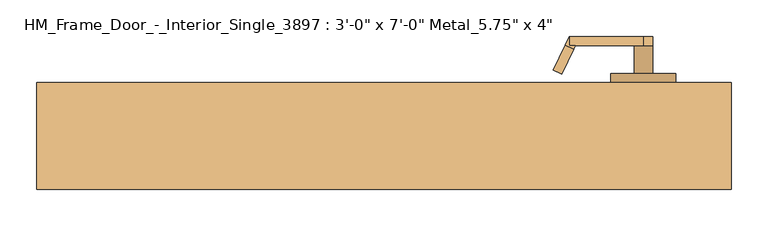
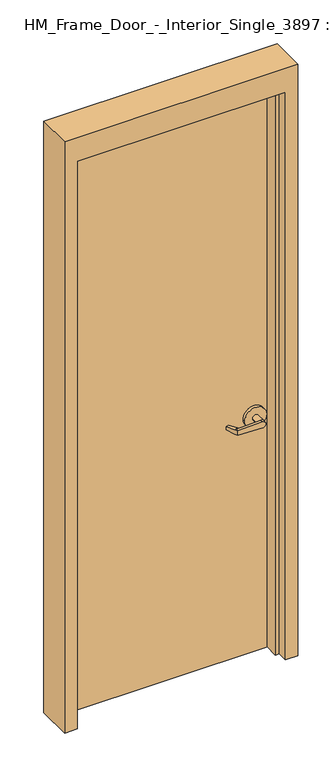
"""IFC4 building model written with IfcOpenShell, lengths in millimetres: door geometry."""

from ifc_helpers import new_model, si_unit, frame, origin, origin_with_axes, place, context, project, spatial, polyline, circle_curve, outline, extrude, faceted_brep, source, transform, mapped, element, save
from ifc_brep_helpers import plane_surface, cylinder_surface, advanced_brep


def door_80e45291(model_context):
    return source(origin(), model_context, "Body", "SolidModel", [
        advanced_brep(
        [(259.692857, -18.0476392, 1006.475), (243.5911012, 16.4826875, 1009.65), (243.5911012, 16.4826875, 1022.35), (259.692857, -18.0476392, 1025.525), (261.6407923, -22.225, 1025.525), (261.6407923, -22.225, 1006.475), (253.55, -34.925, 1025.525), (248.1827481, -23.4148911, 1025.525), (232.0809923, 11.1154356, 1022.35), (232.0809923, 11.1154356, 1009.65), (248.1827481, -23.4148911, 1006.475), (253.55, -34.925, 1006.475), (253.55, -22.225, 1006.475), (253.55, -22.225, 1025.525), (354.7525418, -34.925, 1003.3062209), (354.7525418, -34.925, 1028.6937791), (354.7525418, -22.225, 1028.6937791), (342.45, -22.225, 1016.0), (354.7525418, -22.225, 1003.3062209), (367.85, -22.225, 1016.0), (367.85, 15.875, 1016.0), (342.45, 15.875, 1016.0), (399.6, 15.875, 1016.0), (310.7, 15.875, 1016.0), (399.6, 28.575, 1016.0), (310.7, 28.575, 1016.0)],
        [
            (0, 1),
            (1, 2),
            (2, 3),
            (3, 4),
            (4, 5),
            (5, 0),
            (6, 7),
            (7, 8),
            (8, 9),
            (9, 10),
            (10, 11),
            (11, 6),
            (10, 0),
            (5, 12),
            (12, 11),
            (9, 1),
            (8, 2),
            (7, 3),
            (6, 13),
            (13, 4),
            (11, 14),
            (14, 15, circle_curve(frame((355.15, -34.925, 1016.0), z_axis=(0.0, -1.0, 0.0), x_axis=(-1.0, 0.0, 0.0)), 12.7)),
            (15, 6),
            (13, 16),
            (16, 17, circle_curve(frame((355.15, -22.225, 1016.0), z_axis=(0.0, -1.0, 0.0), x_axis=(-1.0, 0.0, 0.0)), 12.7)),
            (17, 18, circle_curve(frame((355.15, -22.225, 1016.0), z_axis=(0.0, -1.0, 0.0), x_axis=(-1.0, 0.0, 0.0)), 12.7)),
            (18, 12),
            (18, 14),
            (18, 19, circle_curve(frame((355.15, -22.225, 1016.0), z_axis=(0.0, -1.0, 0.0), x_axis=(-1.0, 0.0, 0.0)), 12.7)),
            (19, 16, circle_curve(frame((355.15, -22.225, 1016.0), z_axis=(0.0, -1.0, 0.0), x_axis=(-1.0, 0.0, 0.0)), 12.7)),
            (16, 15),
            (19, 20),
            (20, 21, circle_curve(frame((355.15, 15.875, 1016.0), z_axis=(0.0, -1.0, 0.0), x_axis=(-1.0, 0.0, 0.0)), 12.7)),
            (21, 17),
            (21, 20, circle_curve(frame((355.15, 15.875, 1016.0), z_axis=(0.0, -1.0, 0.0), x_axis=(-1.0, 0.0, 0.0)), 12.7)),
            (22, 23, circle_curve(frame((355.15, 15.875, 1016.0), z_axis=(0.0, -1.0, 0.0), x_axis=(-1.0, 0.0, 0.0)), 44.45)),
            (23, 22, circle_curve(frame((355.15, 15.875, 1016.0), z_axis=(0.0, -1.0, 0.0), x_axis=(-1.0, 0.0, 0.0)), 44.45)),
            (24, 25, circle_curve(frame((355.15, 28.575, 1016.0), z_axis=(0.0, 1.0, 0.0), x_axis=(-1.0, 0.0, 0.0)), 44.45)),
            (25, 24, circle_curve(frame((355.15, 28.575, 1016.0), z_axis=(0.0, 1.0, 0.0), x_axis=(-1.0, 0.0, 0.0)), 44.45)),
            (22, 24),
            (25, 23),
        ],
        [
            plane_surface(frame((265.0601089, -29.5577481, 1006.475), z_axis=(0.9063077870366494, 0.4226182617407007, 0.0), x_axis=(0.0, 0.0, -1.0))),
            plane_surface(frame((253.55, -34.925, 1006.475), z_axis=(-0.9063077870366494, -0.4226182617407007, 0.0), x_axis=(0.0, 0.0, 1.0))),
            plane_surface(frame((265.0601089, -29.5577481, 1006.475), z_axis=(0.0, 0.0, -1.0000000000000002), x_axis=(-0.9063077870366494, -0.42261826174070094, 0.0))),
            plane_surface(frame((259.692857, -18.0476392, 1006.475), z_axis=(-0.035096536341209586, 0.07526476506963879, -0.9965457582448799), x_axis=(-0.9063077870366494, -0.42261826174070094, 0.0))),
            plane_surface(frame((243.5911012, 16.4826875, 1009.65), z_axis=(-0.42261826174070094, 0.9063077870366494, 0.0), x_axis=(-0.9063077870366494, -0.42261826174070094, 0.0))),
            plane_surface(frame((243.5911012, 16.4826875, 1022.35), z_axis=(-0.03509653634121044, 0.07526476506964089, 0.9965457582448796), x_axis=(-0.9063077870366495, -0.42261826174070033, 0.0))),
            plane_surface(frame((259.692857, -18.0476392, 1025.525), z_axis=(0.0, 0.0, 1.0000000000000002), x_axis=(-0.9063077870366494, -0.42261826174070094, 0.0))),
            plane_surface(frame((253.55, -34.925, 1006.475), z_axis=(0.0, -1.0, 0.0), x_axis=(0.9995101626549141, 0.0, -0.03129592225110647))),
            plane_surface(frame((253.55, -22.225, 1006.475), z_axis=(0.0, 1.0, 0.0), x_axis=(-0.9995101626549141, 0.0, 0.03129592225110647))),
            plane_surface(frame((253.55, -34.925, 1006.475), z_axis=(-0.03129592225110647, 0.0, -0.9995101626549141), x_axis=(0.0, 1.0, 0.0))),
            cylinder_surface(frame((355.15, -22.225, 1016.0), z_axis=(0.0, -1.0, 0.0), x_axis=(-1.0, 0.0, 0.0)), 12.7),
            plane_surface(frame((354.7525418, -34.925, 1028.6937791), z_axis=(-0.03129592225110282, 0.0, 0.9995101626549142), x_axis=(0.0, 1.0, 0.0))),
            cylinder_surface(frame((355.15, 15.875, 1016.0), z_axis=(0.0, -1.0, 0.0), x_axis=(-1.0, 0.0, 0.0)), 12.7),
            plane_surface(frame((310.7, 15.875, 1016.0), z_axis=(0.0, -1.0, 0.0), x_axis=(0.0, 0.0, -1.0))),
            plane_surface(frame((310.7, 28.575, 1016.0), z_axis=(0.0, 1.0, 0.0), x_axis=(0.0, 0.0, 1.0))),
            cylinder_surface(frame((355.15, 28.575, 1016.0), z_axis=(0.0, -1.0, 0.0), x_axis=(-1.0, 0.0, 0.0)), 44.45),
        ],
        [
            (0, [[1, 2, 3, 4, 5, 6]]),
            (1, [[7, 8, 9, 10, 11, 12]]),
            (2, [[-11, 13, -6, 14, 15]]),
            (3, [[-1, -13, -10, 16]]),
            (4, [[-2, -16, -9, 17]]),
            (5, [[-3, -17, -8, 18]]),
            (6, [[-7, 19, 20, -4, -18]]),
            (7, [[21, 22, 23, -12]]),
            (8, [[24, 25, 26, 27, -14, -5, -20]]),
            (9, [[-21, -15, -27, 28]]),
            (10, [[-22, -28, 29, 30, 31]]),
            (11, [[-23, -31, -24, -19]]),
            (12, [[32, 33, 34, -25, -30]]),
            (12, [[-32, -29, -26, -34, 35]]),
            (13, [[36, 37], [-33, -35]]),
            (14, [[38, 39]]),
            (15, [[-36, 40, -39, 41]]),
            (15, [[-37, -41, -38, -40]]),
        ],
    ),
        advanced_brep(
        [(259.692857, 119.6476392, 1025.525), (243.5911012, 85.1173125, 1022.35), (243.5911012, 85.1173125, 1009.65), (259.692857, 119.6476392, 1006.475), (261.6407923, 123.825, 1006.475), (261.6407923, 123.825, 1025.525), (253.55, 136.525, 1006.475), (248.1827481, 125.0148911, 1006.475), (232.0809923, 90.4845644, 1009.65), (232.0809923, 90.4845644, 1022.35), (248.1827481, 125.0148911, 1025.525), (253.55, 136.525, 1025.525), (253.55, 123.825, 1025.525), (253.55, 123.825, 1006.475), (354.7525418, 136.525, 1028.6937791), (354.7525418, 136.525, 1003.3062209), (354.7525418, 123.825, 1003.3062209), (342.45, 123.825, 1016.0), (354.7525418, 123.825, 1028.6937791), (367.85, 123.825, 1016.0), (367.85, 85.725, 1016.0), (342.45, 85.725, 1016.0), (399.6, 85.725, 1016.0), (310.7, 85.725, 1016.0), (399.6, 73.025, 1016.0), (310.7, 73.025, 1016.0)],
        [
            (0, 1),
            (1, 2),
            (2, 3),
            (3, 4),
            (4, 5),
            (5, 0),
            (6, 7),
            (7, 8),
            (8, 9),
            (9, 10),
            (10, 11),
            (11, 6),
            (10, 0),
            (5, 12),
            (12, 11),
            (9, 1),
            (8, 2),
            (7, 3),
            (6, 13),
            (13, 4),
            (11, 14),
            (14, 15, circle_curve(frame((355.15, 136.525, 1016.0), z_axis=(0.0, 1.0, 0.0), x_axis=(-1.0, 0.0, 0.0)), 12.7)),
            (15, 6),
            (13, 16),
            (16, 17, circle_curve(frame((355.15, 123.825, 1016.0), z_axis=(0.0, 1.0, 0.0), x_axis=(-1.0, 0.0, 0.0)), 12.7)),
            (17, 18, circle_curve(frame((355.15, 123.825, 1016.0), z_axis=(0.0, 1.0, 0.0), x_axis=(-1.0, 0.0, 0.0)), 12.7)),
            (18, 12),
            (18, 14),
            (18, 19, circle_curve(frame((355.15, 123.825, 1016.0), z_axis=(0.0, 1.0, 0.0), x_axis=(-1.0, 0.0, 0.0)), 12.7)),
            (19, 16, circle_curve(frame((355.15, 123.825, 1016.0), z_axis=(0.0, 1.0, 0.0), x_axis=(-1.0, 0.0, 0.0)), 12.7)),
            (16, 15),
            (19, 20),
            (20, 21, circle_curve(frame((355.15, 85.725, 1016.0), z_axis=(0.0, 1.0, 0.0), x_axis=(-1.0, 0.0, 0.0)), 12.7)),
            (21, 17),
            (21, 20, circle_curve(frame((355.15, 85.725, 1016.0), z_axis=(0.0, 1.0, 0.0), x_axis=(-1.0, 0.0, 0.0)), 12.7)),
            (22, 23, circle_curve(frame((355.15, 85.725, 1016.0), z_axis=(0.0, 1.0, 0.0), x_axis=(-1.0, 0.0, 0.0)), 44.45)),
            (23, 22, circle_curve(frame((355.15, 85.725, 1016.0), z_axis=(0.0, 1.0, 0.0), x_axis=(-1.0, 0.0, 0.0)), 44.45)),
            (24, 25, circle_curve(frame((355.15, 73.025, 1016.0), z_axis=(0.0, -1.0, 0.0), x_axis=(-1.0, 0.0, 0.0)), 44.45)),
            (25, 24, circle_curve(frame((355.15, 73.025, 1016.0), z_axis=(0.0, -1.0, 0.0), x_axis=(-1.0, 0.0, 0.0)), 44.45)),
            (22, 24),
            (25, 23),
        ],
        [
            plane_surface(frame((265.0601089, 131.1577481, 1025.525), z_axis=(0.9063077870366494, -0.4226182617407007, 0.0), x_axis=(0.0, 0.0, 1.0))),
            plane_surface(frame((253.55, 136.525, 1025.525), z_axis=(-0.9063077870366494, 0.4226182617407007, 0.0), x_axis=(0.0, 0.0, -1.0))),
            plane_surface(frame((265.0601089, 131.1577481, 1025.525), z_axis=(0.0, 0.0, 1.0000000000000002), x_axis=(-0.9063077870366494, 0.42261826174070094, 0.0))),
            plane_surface(frame((259.692857, 119.6476392, 1025.525), z_axis=(-0.03509653634120952, -0.07526476506963879, 0.9965457582448799), x_axis=(-0.9063077870366494, 0.42261826174070094, 0.0))),
            plane_surface(frame((243.5911012, 85.1173125, 1022.35), z_axis=(-0.42261826174070094, -0.9063077870366494, 0.0), x_axis=(-0.9063077870366494, 0.42261826174070094, 0.0))),
            plane_surface(frame((243.5911012, 85.1173125, 1009.65), z_axis=(-0.03509653634121051, -0.07526476506964089, -0.9965457582448796), x_axis=(-0.9063077870366495, 0.42261826174070033, 0.0))),
            plane_surface(frame((259.692857, 119.6476392, 1006.475), z_axis=(0.0, 0.0, -1.0000000000000002), x_axis=(-0.9063077870366494, 0.42261826174070094, 0.0))),
            plane_surface(frame((253.55, 136.525, 1025.525), z_axis=(0.0, 1.0, 0.0), x_axis=(0.9995101626549141, 0.0, 0.0312959222511064))),
            plane_surface(frame((253.55, 123.825, 1025.525), z_axis=(0.0, -1.0, 0.0), x_axis=(-0.9995101626549141, 0.0, -0.0312959222511064))),
            plane_surface(frame((253.55, 136.525, 1025.525), z_axis=(-0.0312959222511064, 0.0, 0.9995101626549141), x_axis=(0.0, -1.0, 0.0))),
            cylinder_surface(frame((355.15, 123.825, 1016.0), z_axis=(0.0, 1.0, 0.0), x_axis=(-1.0, 0.0, 0.0)), 12.7),
            plane_surface(frame((354.7525418, 136.525, 1003.3062209), z_axis=(-0.03129592225110289, 0.0, -0.9995101626549142), x_axis=(0.0, -1.0, 0.0))),
            cylinder_surface(frame((355.15, 85.725, 1016.0), z_axis=(0.0, 1.0, 0.0), x_axis=(-1.0, 0.0, 0.0)), 12.7),
            plane_surface(frame((310.7, 85.725, 1016.0), z_axis=(0.0, 1.0, 0.0), x_axis=(0.0, 0.0, 1.0))),
            plane_surface(frame((310.7, 73.025, 1016.0), z_axis=(0.0, -1.0, 0.0), x_axis=(0.0, 0.0, -1.0))),
            cylinder_surface(frame((355.15, 73.025, 1016.0), z_axis=(0.0, 1.0, 0.0), x_axis=(-1.0, 0.0, 0.0)), 44.45),
        ],
        [
            (0, [[1, 2, 3, 4, 5, 6]]),
            (1, [[7, 8, 9, 10, 11, 12]]),
            (2, [[-11, 13, -6, 14, 15]]),
            (3, [[-1, -13, -10, 16]]),
            (4, [[-2, -16, -9, 17]]),
            (5, [[-3, -17, -8, 18]]),
            (6, [[-7, 19, 20, -4, -18]]),
            (7, [[21, 22, 23, -12]]),
            (8, [[24, 25, 26, 27, -14, -5, -20]]),
            (9, [[-21, -15, -27, 28]]),
            (10, [[-22, -28, 29, 30, 31]]),
            (11, [[-23, -31, -24, -19]]),
            (12, [[32, 33, 34, -25, -30]]),
            (12, [[-32, -29, -26, -34, 35]]),
            (13, [[36, 37], [-33, -35]]),
            (14, [[38, 39]]),
            (15, [[-36, 40, -39, 41]]),
            (15, [[-37, -41, -38, -40]]),
        ],
    ),
        extrude(outline(polyline([(-425.0, 73.025), (425.0, 73.025), (425.0, 28.575), (-425.0, 28.575), (-425.0, 73.025)])), origin_with_axes(), (0.0, 0.0, 1.0), 2450.0),
        faceted_brep([(-425.0, 73.025, 0.0), (-425.0, 28.575, 0.0), (-409.125, 28.575, 0.0), (-409.125, -28.575, 0.0), (-425.0, -28.575, 0.0), (-425.0, -73.025, 0.0), (-475.8, -73.025, 0.0), (-475.8, 73.025, 0.0), (-425.0, 73.025, 2450.0), (-425.0, 28.575, 2450.0), (425.0, 28.575, 2450.0), (425.0, 28.575, 0.0), (409.125, 28.575, 0.0), (409.125, 28.575, 2434.125), (-409.125, 28.575, 2434.125), (-409.125, -28.575, 2434.125), (409.125, -28.575, 2434.125), (409.125, -28.575, 0.0), (425.0, -28.575, 0.0), (425.0, -28.575, 2450.0), (-425.0, -28.575, 2450.0), (-425.0, -73.025, 2450.0), (425.0, -73.025, 2450.0), (425.0, -73.025, 0.0), (475.8, -73.025, 0.0), (475.8, -73.025, 2551.6), (-475.8, -73.025, 2551.6), (-475.8, 73.025, 2551.6), (475.8, 73.025, 2551.6), (475.8, 73.025, 0.0), (425.0, 73.025, 0.0), (425.0, 73.025, 2450.0)], [[[0, 1, 2, 3, 4, 5, 6, 7]], [[1, 0, 8, 9]], [[2, 1, 9, 10, 11, 12, 13, 14]], [[3, 2, 14, 15]], [[4, 3, 15, 16, 17, 18, 19, 20]], [[5, 4, 20, 21]], [[6, 5, 21, 22, 23, 24, 25, 26]], [[7, 6, 26, 27]], [[0, 7, 27, 28, 29, 30, 31, 8]], [[30, 11, 10, 31]], [[30, 29, 24, 23, 18, 17, 12, 11]], [[12, 17, 16, 13]], [[19, 18, 23, 22]], [[29, 28, 25, 24]], [[25, 28, 27, 26]], [[21, 20, 19, 22]], [[15, 14, 13, 16]], [[10, 9, 8, 31]]]),
    ])


if __name__ == "__main__":
    model = new_model("IFC4")
    model_context = context("Model", 3, world=origin())
    ifc_project = project(units=[si_unit("LENGTHUNIT", "METRE", prefix="MILLI")], contexts=[model_context])
    site = spatial("IfcSite", under=ifc_project)
    building = spatial("IfcBuilding", under=site)
    placement = place(None, origin())
    door_shape = door_80e45291(model_context)
    element("IfcDoor", 1, ObjectType="HM_Frame_Door_-_Interior_Single_3897 : 3'-0\" x 7'-0\" Metal_5.75\" x 4\"", at=placement, inside=building, context=model_context, shape_type="MappedRepresentation", body=[
        mapped(door_shape, transform((0.0, 0.0, 0.0), x_axis=(1.0, 0.0, 0.0), y_axis=(0.0, 1.0, 0.0), z_axis=(0.0, 0.0, 1.0))),
    ])
    save(model, "model.ifc")
